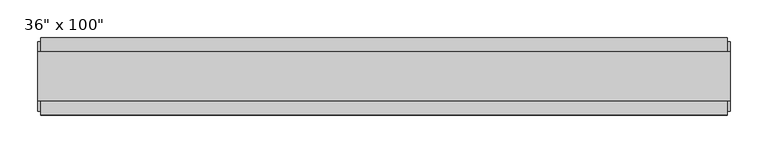
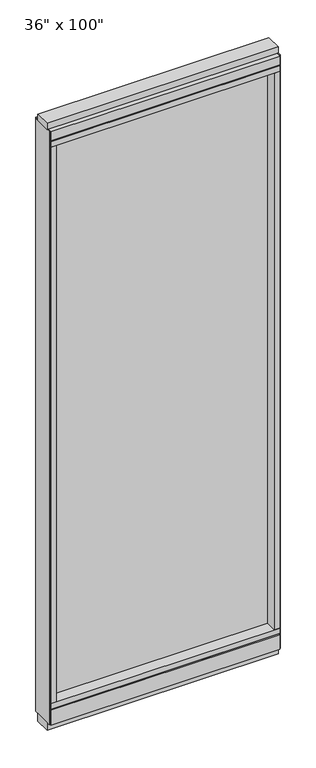
"""IFC4 building model written with IfcOpenShell, lengths in millimetres: furniture geometry."""

from ifc_helpers import new_model, si_unit, frame, origin, origin_with_axes, place, context, project, spatial, polyline, outline, extrude, source, transform, mapped, element, save


def furniture_c2ee0c2b(model_context):
    return source(origin(), model_context, "Body", "SweptSolid", [
        extrude(outline(polyline([(371.0014771, -9.5977216), (-491.0745229, -9.5977216), (-491.0745229, 0.5622784), (371.0014771, 0.5622784), (371.0014771, -9.5977216)])), frame((0.0, 0.0, 120.523), z_axis=(0.0, 0.0, 1.0), x_axis=(1.0, 0.0, 0.0)), (0.0, 0.0, 1.0), 2330.577),
        extrude(outline(polyline([(-55.3177216, 93.345), (-50.3647216, 93.345), (-50.3647216, 98.298), (41.3292784, 98.298), (41.3292784, 93.345), (46.2822784, 93.345), (46.2822784, 31.75), (-55.3177216, 31.75), (-55.3177216, 93.345)])), frame((-513.2995229, 0.0, 0.0), z_axis=(1.0, 0.0, 0.0), x_axis=(0.0, 1.0, 0.0)), (0.0, 0.0, 1.0), 906.526),
        extrude(outline(polyline([(-513.2995229, -55.3177216), (-513.2995229, 46.2822784), (393.2264771, 46.2822784), (393.2264771, -55.3177216), (-513.2995229, -55.3177216)])), frame((0.0, 0.0, 98.298), z_axis=(0.0, 0.0, 1.0), x_axis=(1.0, 0.0, 0.0)), (0.0, 0.0, 1.0), 22.225),
        extrude(outline(polyline([(397.1634771, 27.9942784), (397.1634771, -37.0297216), (-517.2365229, -37.0297216), (-517.2365229, 27.9942784), (397.1634771, 27.9942784)])), origin_with_axes(), (0.0, 0.0, 1.0), 31.75),
        extrude(outline(polyline([(-517.2365229, -37.0297216), (-517.2365229, 27.9942784), (397.1634771, 27.9942784), (397.1634771, -37.0297216), (-517.2365229, -37.0297216)])), frame((0.0, 0.0, 2514.6), z_axis=(0.0, 0.0, 1.0), x_axis=(1.0, 0.0, 0.0)), (0.0, 0.0, 1.0), 25.4),
        extrude(outline(polyline([(-55.3177216, 2478.278), (-55.3177216, 2514.6), (46.2822784, 2514.6), (46.2822784, 2478.278), (41.3292784, 2478.278), (41.3292784, 2473.325), (-50.3647216, 2473.325), (-50.3647216, 2478.278), (-55.3177216, 2478.278)])), frame((-513.2995229, 0.0, 0.0), z_axis=(1.0, 0.0, 0.0), x_axis=(0.0, 1.0, 0.0)), (0.0, 0.0, 1.0), 906.526),
        extrude(outline(polyline([(393.2264771, 46.2822784), (393.2264771, -55.3177216), (-513.2995229, -55.3177216), (-513.2995229, 46.2822784), (393.2264771, 46.2822784)])), frame((0.0, 0.0, 2451.1), z_axis=(0.0, 0.0, 1.0), x_axis=(1.0, 0.0, 0.0)), (0.0, 0.0, 1.0), 22.225),
        extrude(outline(polyline([(371.0014771, -55.3177216), (371.0014771, 46.2822784), (393.2264771, 46.2822784), (393.2264771, -55.3177216), (371.0014771, -55.3177216)])), frame((0.0, 0.0, 120.523), z_axis=(0.0, 0.0, 1.0), x_axis=(1.0, 0.0, 0.0)), (0.0, 0.0, 1.0), 2330.577),
        extrude(outline(polyline([(-491.0745229, -55.3177216), (-513.2995229, -55.3177216), (-513.2995229, 46.2822784), (-491.0745229, 46.2822784), (-491.0745229, -55.3177216)])), frame((0.0, 0.0, 120.523), z_axis=(0.0, 0.0, 1.0), x_axis=(1.0, 0.0, 0.0)), (0.0, 0.0, 1.0), 2330.577),
        extrude(outline(polyline([(397.1634771, -50.3647216), (393.2264771, -50.3647216), (393.2264771, 41.3292784), (397.1634771, 41.3292784), (397.1634771, -50.3647216)])), frame((0.0, 0.0, 31.75), z_axis=(0.0, 0.0, 1.0), x_axis=(1.0, 0.0, 0.0)), (0.0, 0.0, 1.0), 2482.85),
        extrude(outline(polyline([(-517.2365229, -50.3647216), (-517.2365229, 41.3292784), (-513.2995229, 41.3292784), (-513.2995229, -50.3647216), (-517.2365229, -50.3647216)])), frame((0.0, 0.0, 31.75), z_axis=(0.0, 0.0, 1.0), x_axis=(1.0, 0.0, 0.0)), (0.0, 0.0, 1.0), 2482.85),
    ])


if __name__ == "__main__":
    model = new_model("IFC4")
    model_context = context("Model", 3, world=origin())
    ifc_project = project(units=[si_unit("LENGTHUNIT", "METRE", prefix="MILLI")], contexts=[model_context])
    site = spatial("IfcSite", under=ifc_project)
    building = spatial("IfcBuilding", under=site)
    placement = place(None, origin())
    furniture_shape = furniture_c2ee0c2b(model_context)
    element("IfcFurniture", 1, ObjectType="36\" x 100\"", at=placement, inside=building, context=model_context, shape_type="MappedRepresentation", body=[
        mapped(furniture_shape, transform((0.0, 0.0, 0.0), x_axis=(1.0, 0.0, 0.0), y_axis=(0.0, 1.0, 0.0), z_axis=(0.0, 0.0, 1.0))),
    ])
    save(model, "model.ifc")
